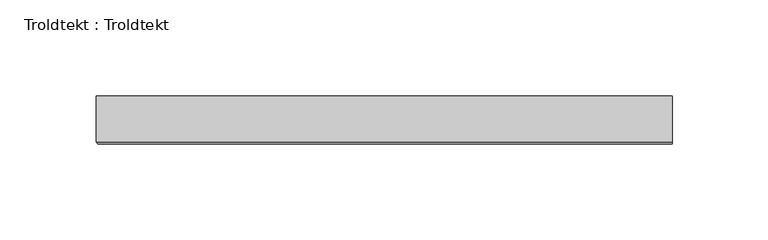
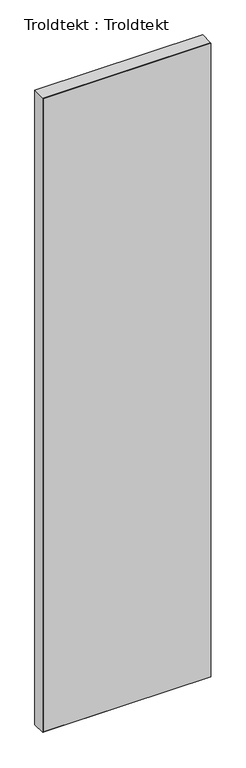
"""IFC4 building model written with IfcOpenShell, lengths in millimetres: proxy geometry, Troldtekt : Troldtekt."""

import ifcopenshell
import ifcopenshell.guid

model = None  # the IFC model being written
_history = None  # IfcOwnerHistory: only IFC2X3 demands one
_inside = {}  # id of a spatial element -> (the spatial element, [elements in it])
_under = {}  # id of a project, library or spatial element -> (it, [spatial elements below it])
_declared = {}  # id of a project -> (the project, [libraries it declares])
_typed = {}  # id of a type object -> (the type object, [elements of that type])
_made_of = {}  # id of a material, layer set ... -> (it, [elements and type objects made of it])


def new_model(schema):
    """Start an empty IFC model of exactly this schema.

    Asked for "IFC4X3", IfcOpenShell would pick the latest addendum, in which some entities
    have other attributes; the version numbers below select the first issue.
    IFC2X3 requires an IfcOwnerHistory on every rooted entity: one is made here for all.
    """
    global model, _history
    if schema == "IFC4X3":
        model = ifcopenshell.file(schema_version=(4, 3, 0, 0))
    else:
        model = ifcopenshell.file(schema=schema)
    _inside.clear()
    _under.clear()
    _declared.clear()
    _typed.clear()
    _made_of.clear()
    _history = None
    if model.schema == "IFC2X3":
        org = make("IfcOrganization", Name="unknown")
        user = make(
            "IfcPersonAndOrganization",
            ThePerson=make("IfcPerson", FamilyName="unknown"),
            TheOrganization=org,
        )
        app = make(
            "IfcApplication",
            ApplicationDeveloper=org,
            Version="unknown",
            ApplicationFullName="unknown",
            ApplicationIdentifier="unknown",
        )
        _history = make(
            "IfcOwnerHistory",
            OwningUser=user,
            OwningApplication=app,
            ChangeAction="ADDED",
            CreationDate=0,
        )
    return model


def make(cls, **values):
    """One entity of the class cls with the attributes given. An attribute that is None is left unset."""
    return model.create_entity(
        cls, **{name: value for name, value in values.items() if value is not None}
    )


def rooted(cls, **values):
    """An entity with a GlobalId (a new one), such as an element, a storey or a relation."""
    return make(cls, GlobalId=ifcopenshell.guid.new(), OwnerHistory=_history, **values)


def si_unit(unit_type, name, prefix=None):
    """IfcSIUnit, for example si_unit("LENGTHUNIT", "METRE", prefix="MILLI")."""
    return make("IfcSIUnit", UnitType=unit_type, Prefix=prefix, Name=name)


def assignment(units):
    """IfcUnitAssignment: the units of a project."""
    return None if units is None else make("IfcUnitAssignment", Units=units)


def point(xyz):
    """IfcCartesianPoint."""
    return None if xyz is None else make("IfcCartesianPoint", Coordinates=xyz)


def direction(xyz):
    """IfcDirection."""
    return None if xyz is None else make("IfcDirection", DirectionRatios=xyz)


def frame(location, z_axis=None, x_axis=None):
    """IfcAxis2Placement3D, a coordinate frame: its origin and axes. An axis left out is left unset."""
    return make(
        "IfcAxis2Placement3D",
        Location=point(location),
        Axis=direction(z_axis),
        RefDirection=direction(x_axis),
    )


def origin():
    """The frame at (0, 0, 0) with its axes left unset."""
    return frame((0.0, 0.0, 0.0))


def place(relative_to, where):
    """IfcLocalPlacement: puts the frame where relative to a parent placement (None: the world)."""
    return make(
        "IfcLocalPlacement", PlacementRelTo=relative_to, RelativePlacement=where
    )


def context(
    kind, dimensions, precision=None, world=None, true_north=None, identifier=None
):
    """IfcGeometricRepresentationContext, for example the 3D "Model" context."""
    return make(
        "IfcGeometricRepresentationContext",
        ContextIdentifier=identifier,
        ContextType=kind,
        CoordinateSpaceDimension=dimensions,
        Precision=precision,
        WorldCoordinateSystem=world,
        TrueNorth=true_north,
    )


def project(units=None, contexts=None):
    """IfcProject with its units and contexts."""
    return rooted(
        "IfcProject",
        Name="project",
        RepresentationContexts=contexts,
        UnitsInContext=assignment(units),
    )


def spatial(cls, under=None, at=None, **own):
    """A site, building, storey or space (cls), placed at a placement, below another one or the project."""
    s = rooted(cls, ObjectPlacement=at, **own)
    if under is not None:
        _under.setdefault(under.id(), (under, []))[1].append(s)
    return s


def faces_of(points, faces, orient=None, outer=None):
    """IfcFace entities. A face is a list of loops; a loop is a list of indices into points, from 0.

    orient and outer hold one flag for each loop. By default every Orientation is true, the
    first loop of a face is its IfcFaceOuterBound and the others are IfcFaceBound.
    """
    made = []
    for i, loops in enumerate(faces):
        bounds = []
        for j, loop in enumerate(loops):
            is_outer = j == 0 if outer is None else outer[i][j]
            bounds.append(
                make(
                    "IfcFaceOuterBound" if is_outer else "IfcFaceBound",
                    Bound=make("IfcPolyLoop", Polygon=[points[k] for k in loop]),
                    Orientation=True if orient is None else orient[i][j],
                )
            )
        made.append(make("IfcFace", Bounds=bounds))
    return made


def faceted_brep(points, faces, orient=None, outer=None, voids=None):
    """IfcFacetedBrep: a solid bounded by flat faces; with voids (closed shells), ...WithVoids."""
    shared = [point(p) for p in points]
    hull = make("IfcClosedShell", CfsFaces=faces_of(shared, faces, orient, outer))
    if voids is None:
        return make("IfcFacetedBrep", Outer=hull)
    return make(
        "IfcFacetedBrepWithVoids",
        Outer=hull,
        Voids=[
            make(cls, CfsFaces=faces_of(shared, fs, o, b)) for cls, fs, o, b in voids
        ],
    )


def shape(context_of_items, identifier, shape_type, items):
    """IfcShapeRepresentation: the items that make up one representation, for example the "Body"."""
    return make(
        "IfcShapeRepresentation",
        ContextOfItems=context_of_items,
        RepresentationIdentifier=identifier,
        RepresentationType=shape_type,
        Items=items,
    )


def source(mapping_origin, context_of_items, identifier, shape_type, items):
    """IfcRepresentationMap: a shape defined once, which mapped items show again and again."""
    return make(
        "IfcRepresentationMap",
        MappingOrigin=mapping_origin,
        MappedRepresentation=shape(context_of_items, identifier, shape_type, items),
    )


def transform(
    local_origin,
    x_axis=None,
    y_axis=None,
    z_axis=None,
    scale=None,
    scale2=None,
    scale3=None,
    uniform=True,
):
    """IfcCartesianTransformationOperator3D, or its non-uniform kind. x_axis, y_axis, z_axis: its Axis1, 2, 3."""
    if uniform:
        return make(
            "IfcCartesianTransformationOperator3D",
            Axis1=direction(x_axis),
            Axis2=direction(y_axis),
            LocalOrigin=point(local_origin),
            Scale=scale,
            Axis3=direction(z_axis),
        )
    return make(
        "IfcCartesianTransformationOperator3DnonUniform",
        Axis1=direction(x_axis),
        Axis2=direction(y_axis),
        LocalOrigin=point(local_origin),
        Scale=scale,
        Axis3=direction(z_axis),
        Scale2=scale2,
        Scale3=scale3,
    )


def mapped(mapping_source, mapping_target):
    """IfcMappedItem: shows the shape of a source again, moved by a transform."""
    return make(
        "IfcMappedItem", MappingSource=mapping_source, MappingTarget=mapping_target
    )


def made_of(thing, what):
    """Note that an element or type object is made of a material, layer set ...; save() writes the relation."""
    if what is not None:
        _made_of.setdefault(what.id(), (what, []))[1].append(thing)
    return thing


def element(
    cls,
    number,
    at=None,
    inside=None,
    cuts=None,
    type_object=None,
    material=None,
    context=None,
    identifier="Body",
    shape_type=None,
    held_by="IfcProductDefinitionShape",
    body=None,
    shapes=None,
    **own,
):
    """One element of the class cls, such as IfcWall. Its Tag is "e" and its number.

    at: its placement. inside: the storey or other place that contains it. cuts: it is an
    opening in that element (IfcRelVoidsElement). A single representation is given by context,
    identifier, shape_type and body (its items); several are given by shapes. held_by: the class
    of the entity that holds the representations. save() writes the other relations.
    """
    e = rooted(cls, Tag="e%d" % number, ObjectPlacement=at, **own)
    if body is not None:
        shapes = [shape(context, identifier, shape_type, body)]
    if shapes is not None:
        e.Representation = make(held_by, Representations=shapes)
    if inside is not None:
        _inside.setdefault(inside.id(), (inside, []))[1].append(e)
    if cuts is not None:
        rooted(
            "IfcRelVoidsElement", RelatingBuildingElement=cuts, RelatedOpeningElement=e
        )
    if type_object is not None:
        _typed.setdefault(type_object.id(), (type_object, []))[1].append(e)
    return made_of(e, material)


def aggregate(whole, parts):
    """IfcRelAggregates: a whole, such as a stair, and the parts it consists of."""
    return rooted("IfcRelAggregates", RelatingObject=whole, RelatedObjects=parts)


def save(model, path):
    """Write the relations noted so far, then the file.

    IfcRelAggregates (storeys below a building ...), IfcRelContainedInSpatialStructure (elements
    in a storey), IfcRelDefinesByType, IfcRelAssociatesMaterial and IfcRelDeclares: one each for
    every whole, place, type object, material and project.
    """
    for whole, parts in _under.values():
        aggregate(whole, parts)
    for where, things in _inside.values():
        rooted(
            "IfcRelContainedInSpatialStructure",
            RelatedElements=things,
            RelatingStructure=where,
        )
    for kind, things in _typed.values():
        rooted("IfcRelDefinesByType", RelatedObjects=things, RelatingType=kind)
    for what, things in _made_of.values():
        rooted("IfcRelAssociatesMaterial", RelatedObjects=things, RelatingMaterial=what)
    for by, libraries in _declared.values():
        rooted("IfcRelDeclares", RelatingContext=by, RelatedDefinitions=libraries)
    model.write(path)


def troldtekt_troldtekt_7e1d96f0(model_context):
    return source(origin(), model_context, "Body", "Brep", [
        faceted_brep([(-300.0, 12.5, 1200.0), (-300.0, -11.495044, 1200.0), (0.0, -11.495044, 1200.0), (0.0, 12.5, 1200.0), (0.0, 12.5, 0.0), (0.0, -11.495044, 0.0), (-300.0, -11.495044, 0.0), (-300.0, 12.5, 0.0), (0.0, -12.5, 1198.995044), (-298.995044, -12.5, 1198.995044), (-298.995044, -12.5, 1.004956), (0.0, -12.5, 1.004956)], [[[0, 1, 2, 3]], [[4, 5, 6, 7]], [[8, 9, 10, 11]], [[7, 6, 1, 0]], [[3, 4, 7, 0]], [[3, 2, 8, 11, 5, 4]], [[10, 9, 1, 6]], [[6, 5, 11, 10]], [[9, 8, 2, 1]]]),
    ])


if __name__ == "__main__":
    model = new_model("IFC4")
    model_context = context("Model", 3, world=origin())
    ifc_project = project(units=[si_unit("LENGTHUNIT", "METRE", prefix="MILLI")], contexts=[model_context])
    site = spatial("IfcSite", under=ifc_project)
    building = spatial("IfcBuilding", under=site)
    placement = place(None, origin())
    troldtekt_troldtekt_shape = troldtekt_troldtekt_7e1d96f0(model_context)
    element("IfcBuildingElementProxy", 1, Name="Troldtekt : Troldtekt", ObjectType="Troldtekt : Troldtekt", at=placement, inside=building, context=model_context, shape_type="MappedRepresentation", body=[
        mapped(troldtekt_troldtekt_shape, transform((0.0, 0.0, 0.0), x_axis=(1.0, 0.0, 0.0), y_axis=(0.0, 1.0, 0.0), z_axis=(0.0, 0.0, 1.0))),
    ])
    save(model, "model.ifc")
